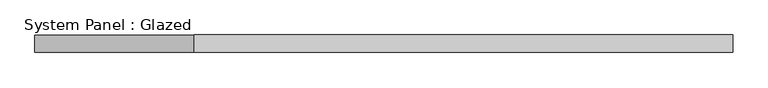
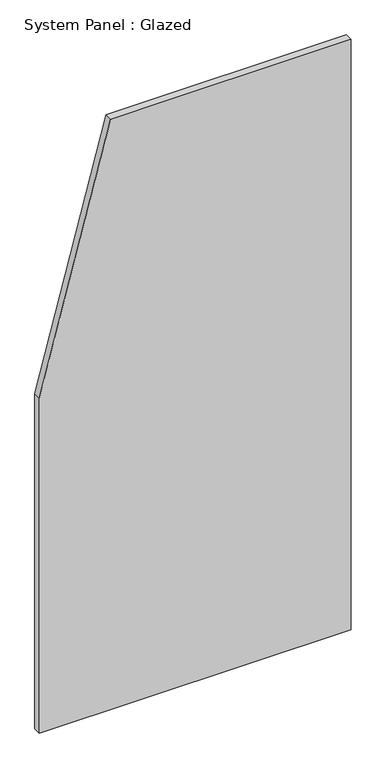
"""IFC4 building model written with IfcOpenShell, lengths in millimetres: plate geometry, System Panel : Glazed."""

from ifc_helpers import new_model, si_unit, frame, origin, place, context, project, spatial, polyline, outline, extrude, source, transform, mapped, element, save


def system_panel_glazed_b5abb926(model_context):
    return source(origin(), model_context, "Body", "SweptSolid", [
        extrude(outline(polyline([(0.0, -500.0), (0.0, 500.0), (2000.0, 500.0), (2000.0, -271.4285717), (1135.1351363, -500.0), (0.0, -500.0)])), frame((0.0, 24.5, 0.0), z_axis=(0.0, 1.0, 0.0), x_axis=(0.0, 0.0, 1.0)), (0.0, 0.0, 1.0), 25.0),
    ])


if __name__ == "__main__":
    model = new_model("IFC4")
    model_context = context("Model", 3, world=origin())
    ifc_project = project(units=[si_unit("LENGTHUNIT", "METRE", prefix="MILLI")], contexts=[model_context])
    site = spatial("IfcSite", under=ifc_project)
    building = spatial("IfcBuilding", under=site)
    placement = place(None, origin())
    system_panel_glazed_shape = system_panel_glazed_b5abb926(model_context)
    element("IfcPlate", 1, ObjectType="System Panel : Glazed", at=placement, inside=building, context=model_context, shape_type="MappedRepresentation", body=[
        mapped(system_panel_glazed_shape, transform((0.0, 0.0, 0.0), x_axis=(1.0, 0.0, 0.0), y_axis=(0.0, 1.0, 0.0), z_axis=(0.0, 0.0, 1.0))),
    ])
    save(model, "model.ifc")
